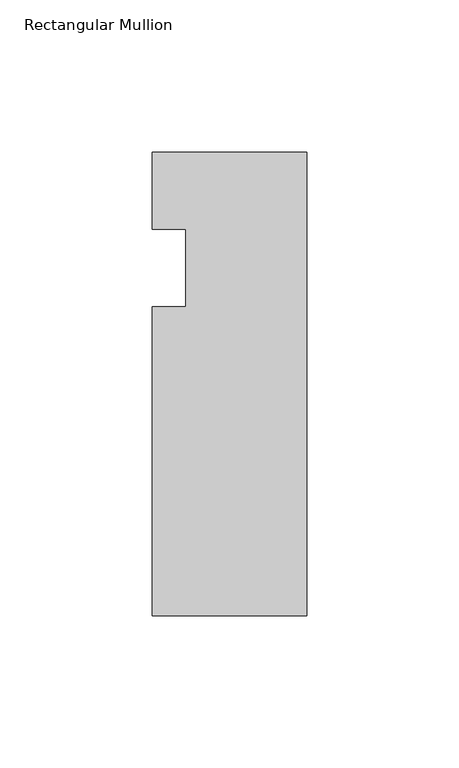
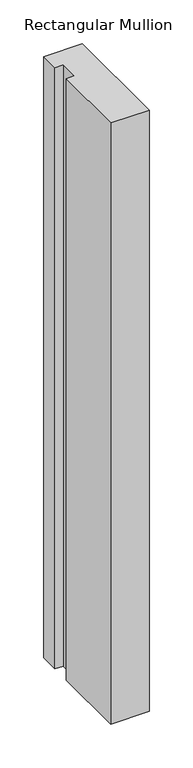
"""IFC4 building model written with IfcOpenShell, lengths in millimetres: member geometry, Rectangular Mullion."""

from ifc_helpers import new_model, si_unit, frame, origin, place, context, project, spatial, polyline, outline, extrude, source, transform, mapped, element, save


def rectangular_mullion_1787a0d5(model_context):
    return source(origin(), model_context, "Body", "SweptSolid", [
        extrude(outline(polyline([(0.0, 0.0), (0.0, -152.4), (-50.8, -152.4), (-50.8, -50.8), (-39.798625, -50.8), (-39.798625, -25.4), (-50.8, -25.4), (-50.8, 0.0), (0.0, 0.0)])), frame((0.0, 0.0, -838.2), z_axis=(0.0, 0.0, 1.0), x_axis=(1.0, 0.0, 0.0)), (0.0, 0.0, 1.0), 838.2),
    ])


if __name__ == "__main__":
    model = new_model("IFC4")
    model_context = context("Model", 3, world=origin())
    ifc_project = project(units=[si_unit("LENGTHUNIT", "METRE", prefix="MILLI")], contexts=[model_context])
    site = spatial("IfcSite", under=ifc_project)
    building = spatial("IfcBuilding", under=site)
    placement = place(None, origin())
    rectangular_mullion_shape = rectangular_mullion_1787a0d5(model_context)
    element("IfcMember", 1, ObjectType="Rectangular Mullion", at=placement, inside=building, context=model_context, shape_type="MappedRepresentation", body=[
        mapped(rectangular_mullion_shape, transform((0.0, 0.0, 0.0), x_axis=(1.0, 0.0, 0.0), y_axis=(0.0, 1.0, 0.0), z_axis=(0.0, 0.0, 1.0))),
    ])
    save(model, "model.ifc")
